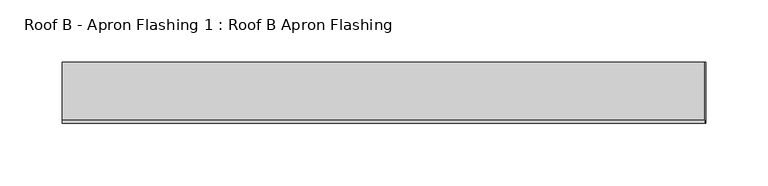
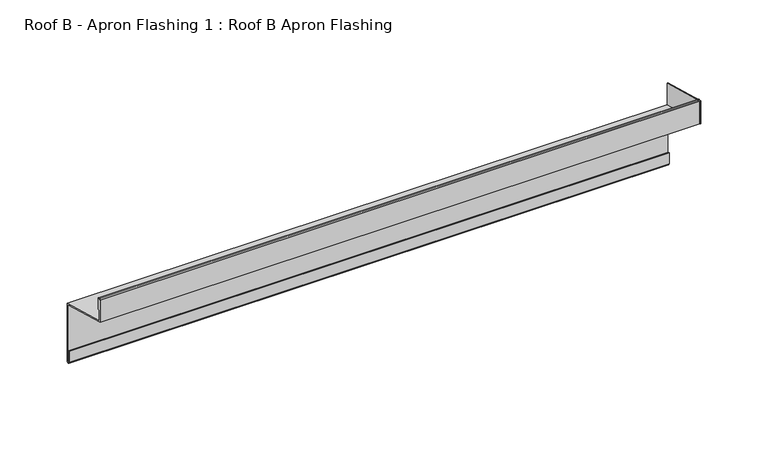
"""IFC4 building model written with IfcOpenShell, lengths in millimetres: proxy geometry, Roof B - Apron Flashing 1 : Roof B Apron Flashing."""

from ifc_helpers import new_model, si_unit, point, frame, frame_2d, origin, place, context, project, spatial, polyline, circle_curve, trimmed, segment, composite_curve, outline, extrude, source, transform, mapped, element, save


def roof_b_apron_flashing_1_roof_b_apron_flashing_57c60d25(model_context):
    return source(origin(), model_context, "Body", "SweptSolid", [
        extrude(outline(polyline([(608.0490096, -973.6339834), (608.0490096, -953.130654), (656.8026399, -966.1941499), (656.8026399, -986.6974792), (608.0490096, -973.6339834)])), frame((9682.4791786, 0.0, 0.0), z_axis=(1.0, 0.0, 0.0), x_axis=(0.0, 1.0, 0.0)), (0.0, 0.0, 1.0), 0.8428395),
        extrude(outline(composite_curve([segment(polyline([(656.8026399, -985.662203), (656.8026399, -1037.6563748)]), True, "CONTINUOUS"), segment(trimmed(circle_curve(frame_2d((655.3026399, -1037.6563748)), 1.5), [point((656.8026399, -1037.6563748))], [point((653.8026399, -1037.6563748))], False, "CARTESIAN"), True, "CONTINUOUS"), segment(polyline([(653.8026399, -1037.6563748), (653.8026399, -1027.6933761), (654.8026399, -1027.6933761), (654.8026399, -1037.6563748)]), True, "CONTINUOUS"), segment(trimmed(circle_curve(frame_2d((655.3026399, -1037.6563748)), 0.5), [point((654.8026399, -1037.6563748))], [point((655.8026399, -1037.6563748))], True, "CARTESIAN"), True, "CONTINUOUS"), segment(polyline([(655.8026399, -1037.6563748), (655.8026399, -986.42953), (608.0490096, -973.6339834), (608.0490096, -953.3538686)]), True, "CONTINUOUS"), segment(trimmed(circle_curve(frame_2d((609.2990096, -953.3538686)), 1.25), [point((608.0490096, -953.3538686))], [point((610.5490096, -953.3538686))], False, "CARTESIAN"), True, "CONTINUOUS"), segment(polyline([(610.5490096, -953.3538686), (610.5490096, -962.6360034)]), True, "CONTINUOUS"), segment(trimmed(circle_curve(frame_2d((610.0490096, -962.6360034)), 0.5), [point((610.5490096, -962.6360034))], [point((609.5490096, -962.6360034))], False, "CARTESIAN"), True, "CONTINUOUS"), segment(polyline([(609.5490096, -962.6360034), (609.5490096, -953.3538686)]), True, "CONTINUOUS"), segment(trimmed(circle_curve(frame_2d((609.2990096, -953.3538686)), 0.25), [point((609.5490096, -953.3538686))], [point((609.0490096, -953.3538686))], True, "CARTESIAN"), True, "CONTINUOUS"), segment(polyline([(609.0490096, -953.3538686), (609.0490096, -972.8666564), (656.8026399, -985.662203)]), True, "CONTINUOUS")], self_intersect=False)), frame((9167.4791786, 0.0, 0.0), z_axis=(1.0, 0.0, 0.0), x_axis=(0.0, 1.0, 0.0)), (0.0, 0.0, 1.0), 515.0),
    ])


if __name__ == "__main__":
    model = new_model("IFC4")
    model_context = context("Model", 3, world=origin())
    ifc_project = project(units=[si_unit("LENGTHUNIT", "METRE", prefix="MILLI")], contexts=[model_context])
    site = spatial("IfcSite", under=ifc_project)
    building = spatial("IfcBuilding", under=site)
    placement = place(None, origin())
    roof_b_apron_flashing_1_roof_b_apron_flashing_shape = roof_b_apron_flashing_1_roof_b_apron_flashing_57c60d25(model_context)
    element("IfcBuildingElementProxy", 1, Name="Roof B - Apron Flashing 1 : Roof B Apron Flashing", ObjectType="Roof B - Apron Flashing 1 : Roof B Apron Flashing", at=placement, inside=building, context=model_context, shape_type="MappedRepresentation", body=[
        mapped(roof_b_apron_flashing_1_roof_b_apron_flashing_shape, transform((0.0, 0.0, 0.0), x_axis=(1.0, 0.0, 0.0), y_axis=(0.0, 1.0, 0.0), z_axis=(0.0, 0.0, 1.0))),
    ])
    save(model, "model.ifc")
